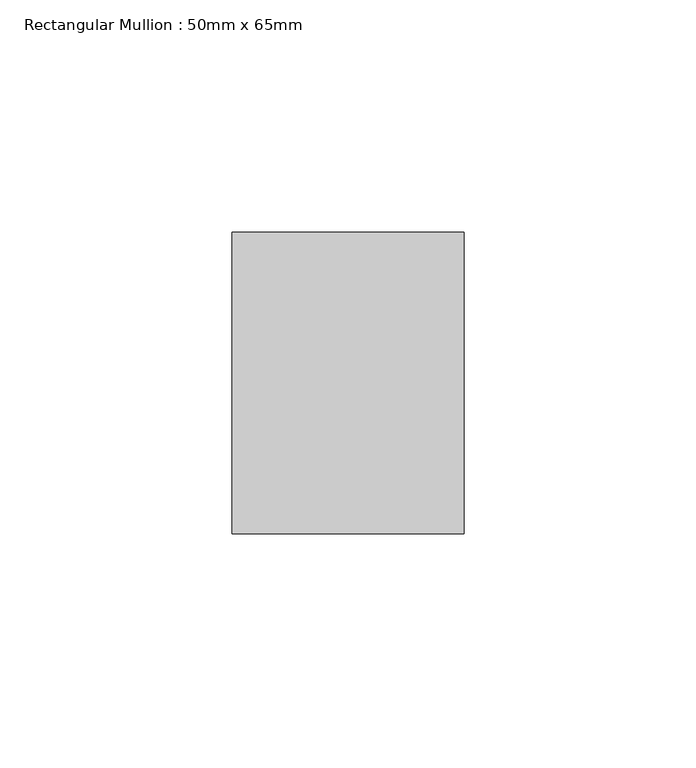
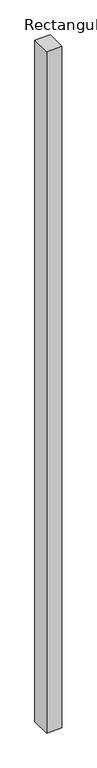
"""IFC4 building model written with IfcOpenShell, lengths in millimetres: member geometry, Rectangular Mullion : 50mm x 65mm."""

from ifc_helpers import new_model, si_unit, frame, origin, place, context, project, spatial, polyline, outline, extrude, source, transform, mapped, element, save


def rectangular_mullion_50mm_x_65mm_0f67e650(model_context):
    return source(origin(), model_context, "Body", "SweptSolid", [
        extrude(outline(polyline([(25.0, 32.5), (25.0, -32.5), (-25.0, -32.5), (-25.0, 32.5), (25.0, 32.5)])), frame((0.0, 0.0, -2332.1782006), z_axis=(0.0, 0.0, 1.0), x_axis=(1.0, 0.0, 0.0)), (0.0, 0.0, 1.0), 2332.1782006),
    ])


if __name__ == "__main__":
    model = new_model("IFC4")
    model_context = context("Model", 3, world=origin())
    ifc_project = project(units=[si_unit("LENGTHUNIT", "METRE", prefix="MILLI")], contexts=[model_context])
    site = spatial("IfcSite", under=ifc_project)
    building = spatial("IfcBuilding", under=site)
    placement = place(None, origin())
    rectangular_mullion_50mm_x_65mm_shape = rectangular_mullion_50mm_x_65mm_0f67e650(model_context)
    element("IfcMember", 1, ObjectType="Rectangular Mullion : 50mm x 65mm", at=placement, inside=building, context=model_context, shape_type="MappedRepresentation", body=[
        mapped(rectangular_mullion_50mm_x_65mm_shape, transform((0.0, 0.0, 0.0), x_axis=(1.0, 0.0, 0.0), y_axis=(0.0, 1.0, 0.0), z_axis=(0.0, 0.0, 1.0))),
    ])
    save(model, "model.ifc")
